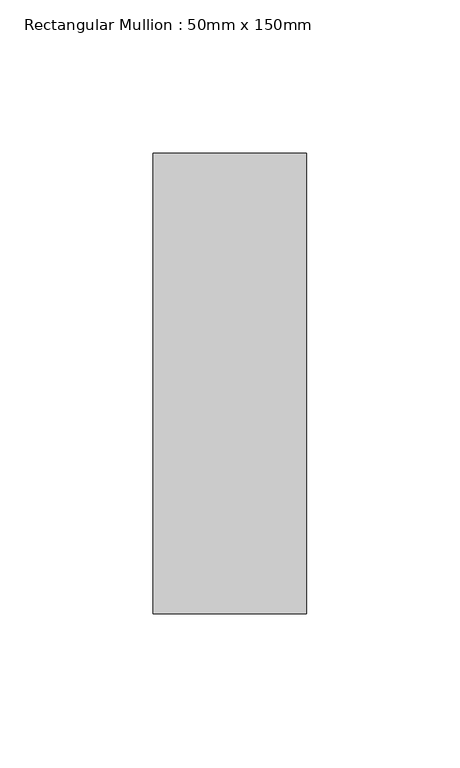
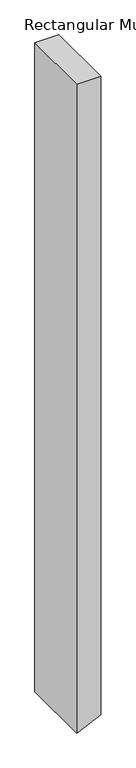
"""IFC4 building model written with IfcOpenShell, lengths in millimetres: member geometry, Rectangular Mullion : 50mm x 150mm."""

from ifc_helpers import new_model, si_unit, frame, origin, place, context, project, spatial, polyline, outline, extrude, source, transform, mapped, element, save


def rectangular_mullion_50mm_x_150mm_59bb5211(model_context):
    return source(origin(), model_context, "Body", "SweptSolid", [
        extrude(outline(polyline([(0.0, 25.0), (0.0, -25.0), (-1423.9427898, -25.0), (-1422.1062931, -21.0411824), (-1400.7477756, 25.0), (0.0, 25.0)])), frame((0.0, -75.0, 0.0), z_axis=(0.0, 1.0, 0.0), x_axis=(0.0, 0.0, 1.0)), (0.0, 0.0, 1.0), 150.0),
    ])


if __name__ == "__main__":
    model = new_model("IFC4")
    model_context = context("Model", 3, world=origin())
    ifc_project = project(units=[si_unit("LENGTHUNIT", "METRE", prefix="MILLI")], contexts=[model_context])
    site = spatial("IfcSite", under=ifc_project)
    building = spatial("IfcBuilding", under=site)
    placement = place(None, origin())
    rectangular_mullion_50mm_x_150mm_shape = rectangular_mullion_50mm_x_150mm_59bb5211(model_context)
    element("IfcMember", 1, ObjectType="Rectangular Mullion : 50mm x 150mm", at=placement, inside=building, context=model_context, shape_type="MappedRepresentation", body=[
        mapped(rectangular_mullion_50mm_x_150mm_shape, transform((0.0, 0.0, 0.0), x_axis=(1.0, 0.0, 0.0), y_axis=(0.0, 1.0, 0.0), z_axis=(0.0, 0.0, 1.0))),
    ])
    save(model, "model.ifc")
